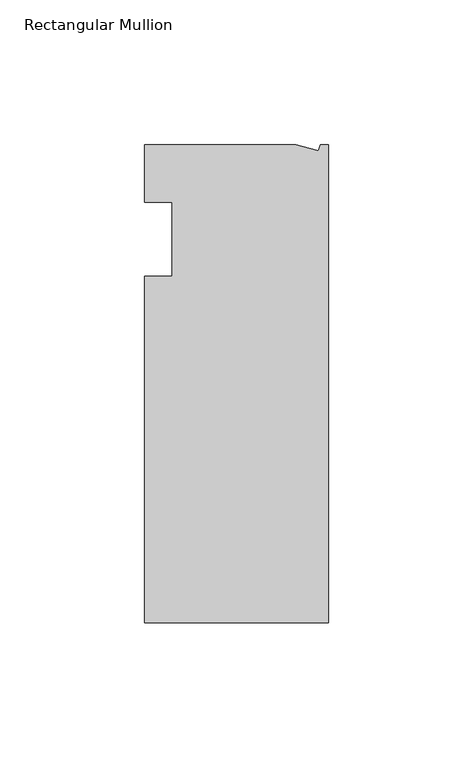
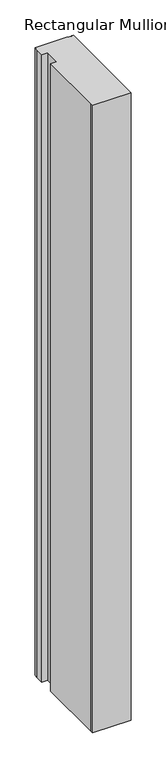
"""IFC4 building model written with IfcOpenShell, lengths in millimetres: member geometry, Rectangular Mullion."""

from ifc_helpers import new_model, si_unit, origin, place, context, project, spatial, faceted_brep, source, transform, mapped, element, save


def rectangular_mullion_90d74e4e(model_context):
    return source(origin(), model_context, "Body", "Brep", [
        faceted_brep([(0.0, -132.5561012, 0.0), (0.0, 32.5438988, 0.0), (-2.7630634, 32.5438988, 0.0), (-3.3223696, 30.4565397, 0.0), (-11.1125, 32.5438988, 0.0), (-63.5076469, 32.5438988, 0.0), (-63.5076469, 26.1938988, 0.0), (-63.5, 12.7, 0.0), (-53.975, 12.7, 0.0), (-53.975, -12.8488281, 0.0), (-63.5, -12.8488281, 0.0), (-63.5, -126.2061012, 0.0), (-63.5, -132.5561012, 0.0), (0.0, -132.5561012, -1093.36492), (-63.5, -132.5561012, -1093.36492), (-63.5, -126.2061012, -1093.36492), (-63.5, -12.8488281, -1093.36492), (-53.975, -12.8488281, -1093.36492), (-53.975, 12.7, -1093.36492), (-63.5, 12.7, -1093.36492), (-63.5, 26.1938988, -1093.36492), (-63.5076469, 32.5438988, -1093.36492), (-11.1125, 32.5438988, -1093.36492), (-3.3223696, 30.4565397, -1093.36492), (-2.7630634, 32.5438988, -1093.36492), (0.0, 32.5438988, -1093.36492)], [[[0, 1, 2, 3, 4, 5, 6, 7, 8, 9, 10, 11, 12]], [[13, 14, 15, 16, 17, 18, 19, 20, 21, 22, 23, 24, 25]], [[7, 6, 20, 19]], [[8, 7, 19, 18]], [[9, 8, 18, 17]], [[10, 9, 17, 16]], [[11, 10, 16, 15]], [[0, 12, 14, 13]], [[1, 0, 13, 25]], [[2, 1, 25, 24]], [[3, 2, 24, 23]], [[4, 3, 23, 22]], [[5, 4, 22, 21]], [[6, 5, 21, 20]], [[12, 11, 15, 14]]]),
    ])


if __name__ == "__main__":
    model = new_model("IFC4")
    model_context = context("Model", 3, world=origin())
    ifc_project = project(units=[si_unit("LENGTHUNIT", "METRE", prefix="MILLI")], contexts=[model_context])
    site = spatial("IfcSite", under=ifc_project)
    building = spatial("IfcBuilding", under=site)
    placement = place(None, origin())
    rectangular_mullion_shape = rectangular_mullion_90d74e4e(model_context)
    element("IfcMember", 1, ObjectType="Rectangular Mullion", at=placement, inside=building, context=model_context, shape_type="MappedRepresentation", body=[
        mapped(rectangular_mullion_shape, transform((0.0, 0.0, 0.0), x_axis=(1.0, 0.0, 0.0), y_axis=(0.0, 1.0, 0.0), z_axis=(0.0, 0.0, 1.0))),
    ])
    save(model, "model.ifc")
